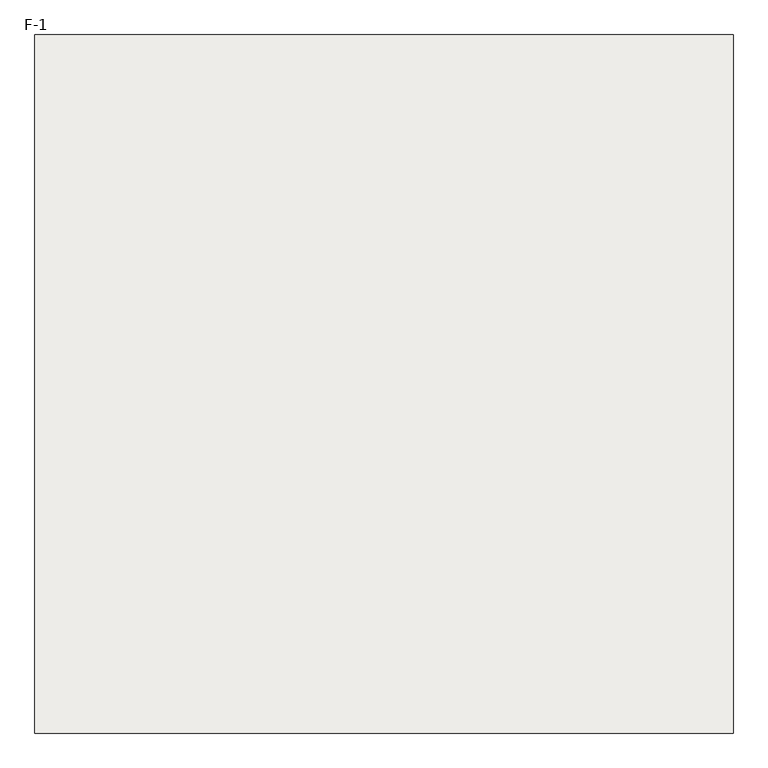
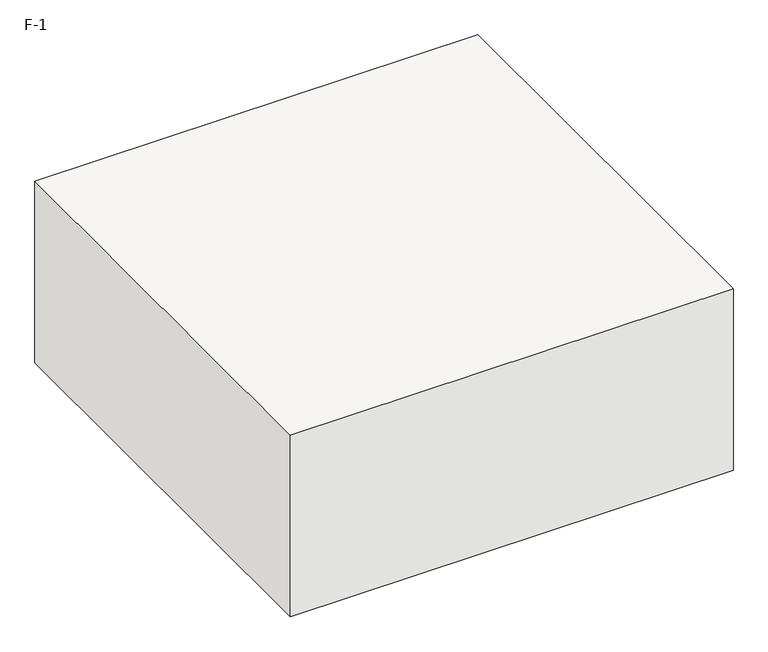
"""IFC4 building model written with IfcOpenShell, lengths in millimetres: slab geometry, F-1."""

from ifc_helpers import new_model, si_unit, frame, origin, place, context, project, spatial, polyline, outline, extrude, source, transform, mapped, element, save


def f_1_34d3440a(model_context):
    return source(origin(), model_context, "Body", "SweptSolid", [
        extrude(outline(polyline([(750.0, 750.0), (750.0, -750.0), (-750.0, -750.0), (-750.0, 750.0), (750.0, 750.0)])), frame((0.0, 0.0, -650.0), z_axis=(0.0, 0.0, 1.0), x_axis=(1.0, 0.0, 0.0)), (0.0, 0.0, 1.0), 650.0),
    ])


if __name__ == "__main__":
    model = new_model("IFC4")
    model_context = context("Model", 3, world=origin())
    ifc_project = project(units=[si_unit("LENGTHUNIT", "METRE", prefix="MILLI")], contexts=[model_context])
    site = spatial("IfcSite", under=ifc_project)
    building = spatial("IfcBuilding", under=site)
    placement = place(None, origin())
    f_1_shape = f_1_34d3440a(model_context)
    element("IfcSlab", 1, ObjectType="F-1", at=placement, inside=building, context=model_context, shape_type="MappedRepresentation", body=[
        mapped(f_1_shape, transform((0.0, 0.0, 0.0), x_axis=(1.0, 0.0, 0.0), y_axis=(0.0, 1.0, 0.0), z_axis=(0.0, 0.0, 1.0))),
    ])
    save(model, "model.ifc")
